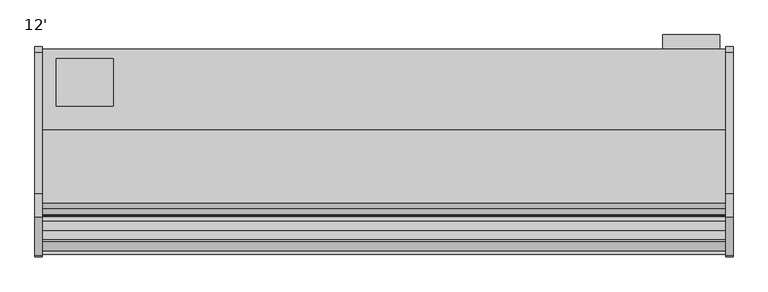
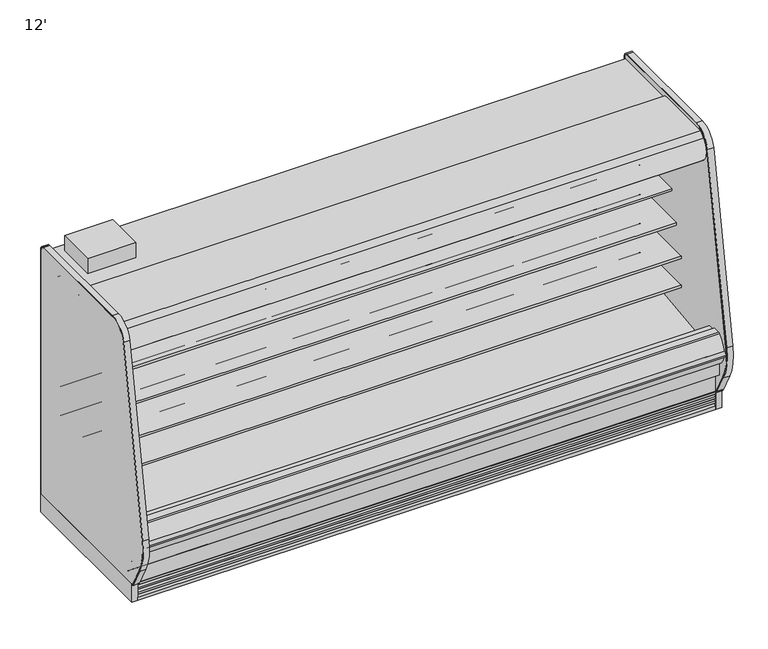
"""IFC4 building model written with IfcOpenShell, lengths in millimetres: proxy geometry, 12'."""

from ifc_helpers import new_model, si_unit, point, frame, frame_2d, origin, origin_with_axes, place, context, project, spatial, polyline, circle_curve, trimmed, segment, composite_curve, outline, extrude, faceted_brep, source, transform, mapped, element, save
from ifc_brep_helpers import plane_surface, revolved_surface, advanced_brep


def proxy_12_763eb99e(model_context):
    return source(origin(), model_context, "Body", "SolidModel", [
        extrude(outline(polyline([(381.0, -452.3089273), (381.0, -706.3089273), (76.2, -706.3089273), (76.2, -452.3089273), (381.0, -452.3089273)])), frame((0.0, 0.0, 1747.9264001), z_axis=(0.0, 0.0, 1.0), x_axis=(1.0, 0.0, 0.0)), (0.0, 0.0, 1.0), 101.6),
        extrude(outline(polyline([(3624.211073, -325.3089273), (3624.211073, -401.5089273), (3319.196077, -401.5089273), (3319.196077, -325.3089273), (3624.211073, -325.3089273)])), frame((0.0, 0.0, 186.4360001), z_axis=(0.0, 0.0, 1.0), x_axis=(1.0, 0.0, 0.0)), (0.0, 0.0, 1.0), 1447.8),
        extrude(outline(polyline([(744.7751963, -1346.7911816), (435.3523963, -1346.7911816), (435.3523963, -1249.5865659), (744.7751963, -1249.5865659), (744.7751963, -1346.7911816)])), frame((0.0, 0.0, 53.2186364), z_axis=(0.0, 0.0, 1.0), x_axis=(1.0, 0.0, 0.0)), (0.0, 0.0, 1.0), 9.8914),
        faceted_brep([(3657.6, -1207.9589273, 130.175), (3657.6, -1275.0830824, 130.175), (3657.6, -1369.8839273, 206.7143253), (3657.6, -1369.8839273, 10.9768116), (3657.6, -1207.9589273, 10.9768116), (0.0, -1207.9589273, 130.175), (0.0, -1207.9589273, 10.9768116), (0.0, -1369.8839273, 10.9768116), (0.0, -1369.8839273, 206.7143253), (0.0, -1275.0830824, 130.175), (744.7751963, -1346.7911816, 10.9768116), (744.7751963, -1249.5865659, 10.9768116), (435.3523963, -1249.5865659, 10.9768116), (435.3523963, -1346.7911816, 10.9768116), (744.7751963, -1346.7911816, 63.1100364), (435.3523963, -1346.7911816, 63.1100364), (435.3523963, -1249.5865659, 63.1100364), (744.7751963, -1249.5865659, 63.1100364)], [[[0, 1, 2, 3, 4]], [[5, 6, 7, 8, 9]], [[1, 0, 5, 9]], [[2, 1, 9, 8]], [[3, 2, 8, 7]], [[4, 3, 7, 6], [10, 11, 12, 13]], [[0, 4, 6, 5]], [[14, 15, 16, 17]], [[14, 17, 11, 10]], [[17, 16, 12, 11]], [[16, 15, 13, 12]], [[15, 14, 10, 13]]]),
        extrude(outline(composite_curve([segment(trimmed(circle_curve(frame_2d((368.3, 3578.0090336)), 12.7), [point((368.3, 3590.7090336))], [point((368.3, 3565.3090336))], False, "CARTESIAN"), True, "CONTINUOUS"), segment(trimmed(circle_curve(frame_2d((368.3, 3578.0090336)), 12.7), [point((368.3, 3565.3090336))], [point((368.3, 3590.7090336))], False, "CARTESIAN"), True, "CONTINUOUS")], self_intersect=False)), frame((0.0, -447.5561252, 0.0), z_axis=(0.0, 1.0, 0.0), x_axis=(0.0, 0.0, 1.0)), (0.0, 0.0, 1.0), 52.3971979),
        extrude(outline(composite_curve([segment(trimmed(circle_curve(frame_2d((368.3, 3539.5972115)), 9.525), [point((368.3, 3549.1222115))], [point((368.3, 3530.0722115))], False, "CARTESIAN"), True, "CONTINUOUS"), segment(trimmed(circle_curve(frame_2d((368.3, 3539.5972115)), 9.525), [point((368.3, 3530.0722115))], [point((368.3, 3549.1222115))], False, "CARTESIAN"), True, "CONTINUOUS")], self_intersect=False)), frame((0.0, -447.5561252, 0.0), z_axis=(0.0, 1.0, 0.0), x_axis=(0.0, 0.0, 1.0)), (0.0, 0.0, 1.0), 52.3971979),
        extrude(outline(composite_curve([segment(polyline([(-451.7851762, 1697.7360001), (-451.7851762, 404.745884), (-504.9331995, 404.745884), (-504.9331995, 1618.3415628)]), True, "CONTINUOUS"), segment(trimmed(circle_curve(frame_2d((-530.3331995, 1618.3415628)), 25.4), [point((-504.9331995, 1618.3415628))], [point((-530.3331995, 1643.7415628))], True, "CARTESIAN"), True, "CONTINUOUS"), segment(polyline([(-530.3331995, 1643.7415628), (-996.5139611, 1643.7415628), (-996.5139611, 1637.1817932), (-1098.1139599, 1637.1817932), (-1098.1139599, 1697.7360001), (-451.7851762, 1697.7360001)]), True, "CONTINUOUS")], self_intersect=False)), frame((0.0, 0.0, 0.0), z_axis=(1.0, 0.0, 0.0), x_axis=(0.0, 1.0, 0.0)), (0.0, 0.0, 1.0), 3657.6),
        advanced_brep(
        [(3657.6, -1428.7889874, 391.24255), (3657.6, -1428.7889874, 254.2724833), (3657.6, -1275.0830824, 130.175), (3657.6, -401.5089273, 130.175), (3657.6, -401.5089273, 1747.9264001), (3657.6, -1139.2416873, 1747.9264001), (3657.6, -1139.2416873, 1697.7360001), (3657.6, -451.7851762, 1697.7360001), (3657.6, -451.7851762, 363.9695251), (3657.6, -599.5014929, 211.662363), (3657.6, -1043.5931205, 195.6779213), (3657.6, -1096.7050237, 157.095884), (3657.6, -1163.5210307, 157.095884), (3657.6, -1221.5656168, 189.2720563), (3657.6, -1379.2843872, 341.5792153), (3657.6, -1379.2843872, 391.24255), (0.0, -1428.7889874, 391.24255), (0.0, -1379.2843872, 391.24255), (0.0, -1379.2843872, 341.5792153), (0.0, -1221.5656168, 189.2720563), (0.0, -1163.5210307, 157.095884), (0.0, -1096.7050237, 157.095884), (0.0, -1043.5931205, 195.6779213), (0.0, -599.5014929, 211.662363), (0.0, -451.7851762, 363.9695251), (0.0, -451.7851762, 1697.7360001), (0.0, -1139.2416873, 1697.7360001), (0.0, -1139.2416873, 1747.9264001), (0.0, -401.5089273, 1747.9264001), (0.0, -401.5089273, 130.175), (0.0, -1275.0830824, 130.175), (0.0, -1428.7889874, 254.2724833), (3556.0, -401.5089273, 317.5), (3556.0, -401.5089273, 419.1), (3556.0, -447.5561252, 317.5), (3556.0, -447.5561252, 419.1)],
        [
            (0, 1),
            (1, 2),
            (2, 3),
            (3, 4),
            (4, 5),
            (5, 6),
            (6, 7),
            (7, 8),
            (8, 9, circle_curve(frame((3657.6, -605.0132276, 364.7934683), z_axis=(-1.0, 0.0, 0.0), x_axis=(0.0, 1.0, 0.0)), 153.2302667)),
            (9, 10),
            (10, 11),
            (11, 12),
            (12, 13),
            (13, 14, circle_curve(frame((3657.6, -1226.8843872, 341.5792153), z_axis=(-1.0, 0.0, 0.0), x_axis=(0.0, 1.0, 0.0)), 152.4)),
            (14, 15),
            (15, 0),
            (16, 17),
            (17, 18),
            (18, 19, circle_curve(frame((0.0, -1226.8843872, 341.5792153), z_axis=(1.0, 0.0, 0.0), x_axis=(0.0, 1.0, 0.0)), 152.4)),
            (19, 20),
            (20, 21),
            (21, 22),
            (22, 23),
            (23, 24, circle_curve(frame((0.0, -605.0132276, 364.7934683), z_axis=(1.0, 0.0, 0.0), x_axis=(0.0, 1.0, 0.0)), 153.2302667)),
            (24, 25),
            (25, 26),
            (26, 27),
            (27, 28),
            (28, 29),
            (29, 30),
            (30, 31),
            (31, 16),
            (0, 16),
            (31, 1),
            (30, 2),
            (29, 3),
            (28, 4),
            (32, 33, circle_curve(frame((3556.0, -401.5089273, 368.3), z_axis=(0.0, -1.0, 0.0), x_axis=(0.0, 0.0, 1.0)), 50.8)),
            (33, 32, circle_curve(frame((3556.0, -401.5089273, 368.3), z_axis=(0.0, -1.0, 0.0), x_axis=(0.0, 0.0, 1.0)), 50.8)),
            (27, 5),
            (26, 6),
            (25, 7),
            (24, 8),
            (23, 9),
            (22, 10),
            (21, 11),
            (20, 12),
            (19, 13),
            (18, 14),
            (17, 15),
            (34, 35, circle_curve(frame((3556.0, -447.5561252, 368.3), z_axis=(0.0, 1.0, 0.0), x_axis=(0.0, 0.0, 1.0)), 50.8)),
            (35, 34, circle_curve(frame((3556.0, -447.5561252, 368.3), z_axis=(0.0, 1.0, 0.0), x_axis=(0.0, 0.0, 1.0)), 50.8)),
            (35, 33),
            (32, 34),
        ],
        [
            plane_surface(frame((3657.6, -1428.7889874, 254.2724833), z_axis=(1.0, 0.0, 0.0), x_axis=(0.0, 0.0, -1.0))),
            plane_surface(frame((0.0, -1428.7889874, 254.2724833), z_axis=(-1.0, 0.0, 0.0), x_axis=(0.0, 0.0, 1.0))),
            plane_surface(frame((3657.6, -1428.7889874, 391.24255), z_axis=(0.0, -1.0, 0.0), x_axis=(-1.0, 0.0, 0.0))),
            plane_surface(frame((3657.6, -1428.7889874, 254.2724833), z_axis=(0.0, -0.6281851642637378, -0.7780638787393622), x_axis=(-1.0, 0.0, 0.0))),
            plane_surface(frame((3657.6, -1275.0830824, 130.175), z_axis=(0.0, 0.0, -1.0), x_axis=(-1.0, 0.0, 0.0))),
            plane_surface(frame((3657.6, -401.5089273, 130.175), z_axis=(0.0, 1.0, 0.0), x_axis=(-1.0, 0.0, 0.0))),
            plane_surface(frame((3657.6, -401.5089273, 1747.9264001), z_axis=(0.0, 0.0, 1.0), x_axis=(-1.0, 0.0, 0.0))),
            plane_surface(frame((3657.6, -1139.2416873, 1747.9264001), z_axis=(0.0, -1.0, 0.0), x_axis=(-1.0, 0.0, 0.0))),
            plane_surface(frame((3657.6, -1139.2416873, 1697.7360001), z_axis=(0.0, 0.0, -1.0), x_axis=(-1.0, 0.0, 0.0))),
            plane_surface(frame((3657.6, -451.7851762, 1697.7360001), z_axis=(0.0, -1.0, 0.0), x_axis=(-1.0, 0.0, 0.0))),
            revolved_surface(polyline([(0.0, -451.78296090000003, 364.7934683), (3657.6, -451.78296090000003, 364.7934683)]), (0.0, -605.0132276, 364.7934683), (-1.0, 0.0, 0.0)),
            plane_surface(frame((3657.6, -599.5014929, 211.662363), z_axis=(0.0, -0.035970274152171335, 0.9993528602938092), x_axis=(-1.0, 0.0, 0.0))),
            plane_surface(frame((3657.6, -1043.5931205, 195.6779213), z_axis=(0.0, -0.5877252382160976, 0.8090605937529224), x_axis=(-1.0, 0.0, 0.0))),
            plane_surface(frame((3657.6, -1096.7050237, 157.095884), z_axis=(0.0, 0.0, 1.0), x_axis=(-1.0, 0.0, 0.0))),
            plane_surface(frame((3657.6, -1163.5210307, 157.095884), z_axis=(0.0, 0.48482728759131516, 0.8746099137368889), x_axis=(-1.0, 0.0, 0.0))),
            revolved_surface(polyline([(0.0, -1074.4843872, 341.5792153), (3657.6, -1074.4843872, 341.5792153)]), (0.0, -1226.8843872, 341.5792153), (-1.0, 0.0, 0.0)),
            plane_surface(frame((3657.6, -1379.2843872, 341.5792153), z_axis=(0.0, 1.0, 0.0), x_axis=(-1.0, 0.0, 0.0))),
            plane_surface(frame((3657.6, -1379.2843872, 391.24255), z_axis=(0.0, 0.0, 1.0), x_axis=(-1.0, 0.0, 0.0))),
            plane_surface(frame((3556.0, -447.5561252, 419.1), z_axis=(0.0, 1.0, 0.0), x_axis=(-1.0, 0.0, 0.0))),
            revolved_surface(polyline([(3556.0, -447.5561252, 419.1), (3556.0, -401.5089273, 419.1)]), (3556.0, -401.5089273, 368.3), (0.0, -1.0, 0.0)),
        ],
        [
            (0, [[1, 2, 3, 4, 5, 6, 7, 8, 9, 10, 11, 12, 13, 14, 15, 16]]),
            (1, [[17, 18, 19, 20, 21, 22, 23, 24, 25, 26, 27, 28, 29, 30, 31, 32]]),
            (2, [[-1, 33, -32, 34]]),
            (3, [[-2, -34, -31, 35]]),
            (4, [[-3, -35, -30, 36]]),
            (5, [[-4, -36, -29, 37], [38, 39]]),
            (6, [[-5, -37, -28, 40]]),
            (7, [[-6, -40, -27, 41]]),
            (8, [[-7, -41, -26, 42]]),
            (9, [[-8, -42, -25, 43]]),
            (10, [[-9, -43, -24, 44]]),
            (11, [[-10, -44, -23, 45]]),
            (12, [[-11, -45, -22, 46]]),
            (13, [[-12, -46, -21, 47]]),
            (14, [[-13, -47, -20, 48]]),
            (15, [[-14, -48, -19, 49]]),
            (16, [[-15, -49, -18, 50]]),
            (17, [[-16, -50, -17, -33]]),
            (18, [[51, 52]]),
            (19, [[-52, 53, -38, 54]]),
            (19, [[-51, -54, -39, -53]]),
        ],
    ),
        extrude(outline(composite_curve([segment(polyline([(-1324.3309113, 373.0751999), (-1297.0132113, 373.0751999), (-1291.5716401, 375.0168392), (-610.6406734, 456.5929299), (-610.1926758, 450.1862651), (-516.7472923, 456.7206028)]), True, "CONTINUOUS"), segment(trimmed(circle_curve(frame_2d((-517.6331995, 469.3896663)), 12.7), [point((-516.7472923, 456.7206028))], [point((-504.9331995, 469.3896663))], True, "CARTESIAN"), True, "CONTINUOUS"), segment(polyline([(-504.9331995, 469.3896663), (-504.9331995, 404.745884), (-451.7851762, 404.745884), (-451.7851762, 363.9695251)]), True, "CONTINUOUS"), segment(trimmed(circle_curve(frame_2d((-605.0132276, 364.7934683)), 153.2302667), [point((-451.7851762, 363.9695251))], [point((-599.5014929, 211.662363))], False, "CARTESIAN"), True, "CONTINUOUS"), segment(polyline([(-599.5014929, 211.662363), (-1043.5931205, 195.6779213), (-1096.7050237, 157.095884), (-1163.5210307, 157.095884), (-1221.5656168, 189.2720563)]), True, "CONTINUOUS"), segment(trimmed(circle_curve(frame_2d((-1226.8843872, 341.5792153)), 152.4), [point((-1221.5656168, 189.2720563))], [point((-1379.2843872, 341.5792153))], False, "CARTESIAN"), True, "CONTINUOUS"), segment(polyline([(-1379.2843872, 341.5792153), (-1379.2843872, 521.2079999), (-1324.3309113, 521.2079999), (-1324.3309113, 373.0751999)]), True, "CONTINUOUS")], self_intersect=False)), frame((0.0, 0.0, 0.0), z_axis=(1.0, 0.0, 0.0), x_axis=(0.0, 1.0, 0.0)), (0.0, 0.0, 1.0), 3657.6),
        extrude(outline(composite_curve([segment(trimmed(circle_curve(frame_2d((1828.8, -1128.5839273)), 38.1), [point((1790.7, -1128.5839273))], [point((1866.9, -1128.5839273))], False, "CARTESIAN"), True, "CONTINUOUS"), segment(trimmed(circle_curve(frame_2d((1828.8, -1128.5839273)), 38.1), [point((1866.9, -1128.5839273))], [point((1790.7, -1128.5839273))], False, "CARTESIAN"), True, "CONTINUOUS")], self_intersect=False)), frame((0.0, 0.0, 66.7090149), z_axis=(0.0, 0.0, 1.0), x_axis=(1.0, 0.0, 0.0)), (0.0, 0.0, 1.0), 57.1159851),
        extrude(outline(composite_curve([segment(trimmed(circle_curve(frame_2d((3462.0146724, -1128.5839273)), 12.7), [point((3449.3146724, -1128.5839273))], [point((3474.7146724, -1128.5839273))], False, "CARTESIAN"), True, "CONTINUOUS"), segment(trimmed(circle_curve(frame_2d((3462.0146724, -1128.5839273)), 12.7), [point((3474.7146724, -1128.5839273))], [point((3449.3146724, -1128.5839273))], False, "CARTESIAN"), True, "CONTINUOUS")], self_intersect=False)), frame((0.0, 0.0, 66.7090149), z_axis=(0.0, 0.0, 1.0), x_axis=(1.0, 0.0, 0.0)), (0.0, 0.0, 1.0), 57.1159851),
        extrude(outline(composite_curve([segment(trimmed(circle_curve(frame_2d((3416.2012671, -1128.5839273)), 9.525), [point((3406.6762671, -1128.5839273))], [point((3425.7262671, -1128.5839273))], False, "CARTESIAN"), True, "CONTINUOUS"), segment(trimmed(circle_curve(frame_2d((3416.2012671, -1128.5839273)), 9.525), [point((3425.7262671, -1128.5839273))], [point((3406.6762671, -1128.5839273))], False, "CARTESIAN"), True, "CONTINUOUS")], self_intersect=False)), frame((0.0, 0.0, 66.7090149), z_axis=(0.0, 0.0, 1.0), x_axis=(1.0, 0.0, 0.0)), (0.0, 0.0, 1.0), 57.1159851),
        advanced_brep(
        [(3657.6, -401.5089273, 0.0), (3657.6, -401.5089273, 130.175), (3657.6, -1207.9589273, 130.175), (3657.6, -1207.9589273, 0.0), (3657.6, -1161.1594273, 0.0), (3657.6, -1161.1594273, 74.8810382), (3657.6, -446.7209273, 74.8810382), (3657.6, -446.7209273, 0.0), (0.0, -401.5089273, 0.0), (0.0, -446.7209273, 0.0), (0.0, -446.7209273, 74.8810382), (0.0, -1161.1594273, 74.8810382), (0.0, -1161.1594273, 0.0), (0.0, -1207.9589273, 0.0), (0.0, -1207.9589273, 130.175), (0.0, -401.5089273, 130.175), (1789.8195331, -1161.1594273, 0.0), (1867.7804669, -1161.1594273, 0.0), (3402.7195331, -1161.1594273, 0.0), (3480.6804669, -1161.1594273, 0.0), (3480.6804669, -1161.1594273, 74.8810382), (1789.8195331, -1161.1594273, 74.8810382), (1867.7804669, -1161.1594273, 74.8810382), (3402.7195331, -1161.1594273, 74.8810382), (3492.5, -1128.5839273, 74.8810382), (3390.9, -1128.5839273, 74.8810382), (1879.6, -1128.5839273, 74.8810382), (1778.0, -1128.5839273, 74.8810382), (1778.0, -1128.5839273, 123.825), (1879.6, -1128.5839273, 123.825), (3390.9, -1128.5839273, 123.825), (3492.5, -1128.5839273, 123.825)],
        [
            (0, 1),
            (1, 2),
            (2, 3),
            (3, 4),
            (4, 5),
            (5, 6),
            (6, 7),
            (7, 0),
            (8, 9),
            (9, 10),
            (10, 11),
            (11, 12),
            (12, 13),
            (13, 14),
            (14, 15),
            (15, 8),
            (0, 8),
            (15, 1),
            (14, 2),
            (13, 3),
            (12, 16),
            (16, 17, circle_curve(frame((1828.8, -1128.5839273, 0.0), z_axis=(0.0, 0.0, 1.0), x_axis=(1.0, 0.0, 0.0)), 50.8)),
            (17, 18),
            (18, 19, circle_curve(frame((3441.7, -1128.5839273, 0.0), z_axis=(0.0, 0.0, 1.0), x_axis=(1.0, 0.0, 0.0)), 50.8)),
            (19, 4),
            (19, 20),
            (20, 5),
            (11, 21),
            (21, 16),
            (17, 22),
            (22, 23),
            (23, 18),
            (20, 24, circle_curve(frame((3441.7, -1128.5839273, 74.8810382), z_axis=(0.0, 0.0, 1.0), x_axis=(1.0, 0.0, 0.0)), 50.8)),
            (24, 25, circle_curve(frame((3441.7, -1128.5839273, 74.8810382), z_axis=(0.0, 0.0, 1.0), x_axis=(1.0, 0.0, 0.0)), 50.8)),
            (25, 23, circle_curve(frame((3441.7, -1128.5839273, 74.8810382), z_axis=(0.0, 0.0, 1.0), x_axis=(1.0, 0.0, 0.0)), 50.8)),
            (22, 26, circle_curve(frame((1828.8, -1128.5839273, 74.8810382), z_axis=(0.0, 0.0, 1.0), x_axis=(1.0, 0.0, 0.0)), 50.8)),
            (26, 27, circle_curve(frame((1828.8, -1128.5839273, 74.8810382), z_axis=(0.0, 0.0, 1.0), x_axis=(1.0, 0.0, 0.0)), 50.8)),
            (27, 21, circle_curve(frame((1828.8, -1128.5839273, 74.8810382), z_axis=(0.0, 0.0, 1.0), x_axis=(1.0, 0.0, 0.0)), 50.8)),
            (10, 6),
            (9, 7),
            (28, 29, circle_curve(frame((1828.8, -1128.5839273, 123.825), z_axis=(0.0, 0.0, -1.0), x_axis=(1.0, 0.0, 0.0)), 50.8)),
            (29, 28, circle_curve(frame((1828.8, -1128.5839273, 123.825), z_axis=(0.0, 0.0, -1.0), x_axis=(1.0, 0.0, 0.0)), 50.8)),
            (29, 26),
            (27, 28),
            (30, 31, circle_curve(frame((3441.7, -1128.5839273, 123.825), z_axis=(0.0, 0.0, -1.0), x_axis=(1.0, 0.0, 0.0)), 50.8)),
            (31, 30, circle_curve(frame((3441.7, -1128.5839273, 123.825), z_axis=(0.0, 0.0, -1.0), x_axis=(1.0, 0.0, 0.0)), 50.8)),
            (31, 24),
            (25, 30),
        ],
        [
            plane_surface(frame((3657.6, -401.5089273, 1893.5715584), z_axis=(1.0, 0.0, 0.0), x_axis=(0.0, 0.0, 1.0))),
            plane_surface(frame((0.0, -401.5089273, 1893.5715584), z_axis=(-1.0, 0.0, 0.0), x_axis=(0.0, 0.0, -1.0))),
            plane_surface(frame((3657.6, -401.5089273, 0.0), z_axis=(0.0, 1.0, 0.0), x_axis=(-1.0, 0.0, 0.0))),
            plane_surface(frame((3657.6, -401.5089273, 130.175), z_axis=(0.0, 0.0, 1.0), x_axis=(-1.0, 0.0, 0.0))),
            plane_surface(frame((3657.6, -1207.9589273, 130.175), z_axis=(0.0, -1.0, 0.0), x_axis=(-1.0, 0.0, 0.0))),
            plane_surface(frame((3657.6, -1207.9589273, 0.0), z_axis=(0.0, 0.0, -1.0), x_axis=(-1.0, 0.0, 0.0))),
            plane_surface(frame((3657.6, -1161.1594273, 0.0), z_axis=(0.0, 1.0, 0.0), x_axis=(-1.0, 0.0, 0.0))),
            plane_surface(frame((3657.6, -1161.1594273, 74.8810382), z_axis=(0.0, 0.0, -1.0), x_axis=(-1.0, 0.0, 0.0))),
            plane_surface(frame((3657.6, -446.7209273, 74.8810382), z_axis=(0.0, -1.0, 0.0), x_axis=(-1.0, 0.0, 0.0))),
            plane_surface(frame((3657.6, -446.7209273, 0.0), z_axis=(0.0, 0.0, -1.0), x_axis=(-1.0, 0.0, 0.0))),
            plane_surface(frame((1879.6, -1128.5839273, 123.825), z_axis=(0.0, 0.0, -1.0), x_axis=(0.0, 1.0, 0.0))),
            revolved_surface(polyline([(1879.6, -1128.5839273, 123.825), (1879.6, -1128.5839273, 0.0)]), (1828.8, -1128.5839273, 0.0), (0.0, 0.0, 1.0)),
            revolved_surface(polyline([(1879.6, -1128.5839273, 123.825), (1879.6, -1128.5839273, 74.8810382)]), (1828.8, -1128.5839273, 0.0), (0.0, 0.0, 1.0)),
            plane_surface(frame((3492.5, -1128.5839273, 123.825), z_axis=(0.0, 0.0, -1.0), x_axis=(0.0, 1.0, 0.0))),
            revolved_surface(polyline([(3492.5, -1128.5839273, 123.825), (3492.5, -1128.5839273, 0.0)]), (3441.7, -1128.5839273, 0.0), (0.0, 0.0, 1.0)),
            revolved_surface(polyline([(3492.5, -1128.5839273, 123.825), (3492.5, -1128.5839273, 74.8810382)]), (3441.7, -1128.5839273, 0.0), (0.0, 0.0, 1.0)),
        ],
        [
            (0, [[1, 2, 3, 4, 5, 6, 7, 8]]),
            (1, [[9, 10, 11, 12, 13, 14, 15, 16]]),
            (2, [[-1, 17, -16, 18]]),
            (3, [[-2, -18, -15, 19]]),
            (4, [[-3, -19, -14, 20]]),
            (5, [[-4, -20, -13, 21, 22, 23, 24, 25]]),
            (6, [[-5, -25, 26, 27]]),
            (6, [[-12, 28, 29, -21]]),
            (6, [[30, 31, 32, -23]]),
            (7, [[-6, -27, 33, 34, 35, -31, 36, 37, 38, -28, -11, 39]]),
            (8, [[-7, -39, -10, 40]]),
            (9, [[-8, -40, -9, -17]]),
            (10, [[41, 42]]),
            (11, [[-42, 43, -36, -30, -22, -29, -38, 44]]),
            (12, [[-41, -44, -37, -43]]),
            (13, [[45, 46]]),
            (14, [[-46, 47, -33, -26, -24, -32, -35, 48]]),
            (15, [[-45, -48, -34, -47]]),
        ],
    ),
        extrude(outline(polyline([(3695.7, -388.8089273), (3695.7, -1388.9339273), (3657.6, -1388.9339273), (3657.6, -388.8089273), (3695.7, -388.8089273)])), origin_with_axes(), (0.0, 0.0, 1.0), 123.825),
        extrude(outline(polyline([(3657.6, -996.5139611), (3657.6, -1098.1139599), (0.0, -1098.1139599), (0.0, -996.5139611), (3657.6, -996.5139611)])), frame((0.0, 0.0, 1611.781792), z_axis=(0.0, 0.0, 1.0), x_axis=(1.0, 0.0, 0.0)), (0.0, 0.0, 1.0), 25.4000011),
        extrude(outline(composite_curve([segment(polyline([(-834.1197918, 1747.9264001), (-1139.2416873, 1747.9264001), (-1139.2416873, 1697.7360001), (-1098.1139599, 1697.7360001), (-1098.1139599, 1611.781792), (-1102.0441706, 1611.781792), (-1145.2982964, 1638.6902586), (-1229.1846298, 1638.6902586), (-1234.6028577, 1609.3156271), (-1242.6978272, 1602.7581239), (-1244.4566599, 1596.9057625), (-1247.8744356, 1591.5734097)]), True, "CONTINUOUS"), segment(trimmed(circle_curve(frame_2d((-1254.9813118, 1596.1285676)), 8.4413951), [point((-1247.8744356, 1591.5734097))], [point((-1261.3923737, 1590.637171))], False, "CARTESIAN"), True, "CONTINUOUS"), segment(trimmed(circle_curve(frame_2d((-1181.3177231, 1659.2251311)), 105.4336661), [point((-1261.3923737, 1590.637171))], [point((-1254.3783459, 1735.2409409))], False, "CARTESIAN"), True, "CONTINUOUS"), segment(trimmed(circle_curve(frame_2d((-1721.3249588, 2221.0748085)), 673.8498988), [point((-1254.3783459, 1735.2409409))], [point((-1224.995421, 1765.3))], True, "CARTESIAN"), True, "CONTINUOUS"), segment(polyline([(-1224.995421, 1765.3), (-834.1197918, 1765.3), (-834.1197918, 1747.9264001)]), True, "CONTINUOUS")], self_intersect=False)), frame((0.0, 0.0, 0.0), z_axis=(1.0, 0.0, 0.0), x_axis=(0.0, 1.0, 0.0)), (0.0, 0.0, 1.0), 3657.6),
        extrude(outline(composite_curve([segment(trimmed(circle_curve(frame_2d((-775.1768909, 1614.4334873)), 14.2875), [point((-789.4643909, 1614.4334873))], [point((-760.8893909, 1614.4334873))], False, "CARTESIAN"), True, "CONTINUOUS"), segment(trimmed(circle_curve(frame_2d((-775.1768909, 1614.4334873)), 14.2875), [point((-760.8893909, 1614.4334873))], [point((-789.4643909, 1614.4334873))], False, "CARTESIAN"), True, "CONTINUOUS")], self_intersect=False)), frame((0.0, 0.0, 0.0), z_axis=(1.0, 0.0, 0.0), x_axis=(0.0, 1.0, 0.0)), (0.0, 0.0, 1.0), 3657.6),
        extrude(outline(composite_curve([segment(trimmed(circle_curve(frame_2d((-1161.5261636, 1620.5311052)), 14.2875), [point((-1175.8136636, 1620.5311052))], [point((-1147.2386636, 1620.5311052))], False, "CARTESIAN"), True, "CONTINUOUS"), segment(trimmed(circle_curve(frame_2d((-1161.5261636, 1620.5311052)), 14.2875), [point((-1147.2386636, 1620.5311052))], [point((-1175.8136636, 1620.5311052))], False, "CARTESIAN"), True, "CONTINUOUS")], self_intersect=False)), frame((0.0, 0.0, 0.0), z_axis=(1.0, 0.0, 0.0), x_axis=(0.0, 1.0, 0.0)), (0.0, 0.0, 1.0), 3657.6),
        extrude(outline(composite_curve([segment(trimmed(circle_curve(frame_2d((-1206.6074088, 1621.0573227)), 14.2875), [point((-1220.8949088, 1621.0573227))], [point((-1192.3199088, 1621.0573227))], False, "CARTESIAN"), True, "CONTINUOUS"), segment(trimmed(circle_curve(frame_2d((-1206.6074088, 1621.0573227)), 14.2875), [point((-1192.3199088, 1621.0573227))], [point((-1220.8949088, 1621.0573227))], False, "CARTESIAN"), True, "CONTINUOUS")], self_intersect=False)), frame((0.0, 0.0, 0.0), z_axis=(1.0, 0.0, 0.0), x_axis=(0.0, 1.0, 0.0)), (0.0, 0.0, 1.0), 3657.6),
        extrude(outline(polyline([(-755.2139611, 1643.7415628), (-755.2139611, 1642.1540628), (-767.1202111, 1642.1540628), (-802.8389611, 1618.3415628), (-802.8389611, 1642.1540628), (-823.4764611, 1642.1540628), (-823.4764611, 1583.5761808), (-820.1998305, 1567.4468459), (-821.7555536, 1567.130805), (-825.0639611, 1583.4165628), (-825.0639611, 1643.7415628), (-755.2139611, 1643.7415628)])), frame((0.0, 0.0, 0.0), z_axis=(1.0, 0.0, 0.0), x_axis=(0.0, 1.0, 0.0)), (0.0, 0.0, 1.0), 3657.6),
        extrude(outline(polyline([(-524.5538195, 1364.7404382), (-699.0292362, 1609.345951), (-692.6360518, 1611.3180598), (-519.384186, 1368.427902), (-524.5538195, 1364.7404382)])), frame((0.0, 0.0, 0.0), z_axis=(1.0, 0.0, 0.0), x_axis=(0.0, 1.0, 0.0)), (0.0, 0.0, 1.0), 3657.6),
        extrude(outline(composite_curve([segment(polyline([(-504.9331995, 1389.1244166), (-504.9331995, 1351.0251669)]), True, "CONTINUOUS"), segment(trimmed(circle_curve(frame_2d((-507.7906995, 1351.0251669)), 2.8575), [point((-504.9331995, 1351.0251669))], [point((-506.6741853, 1348.3948242))], False, "CARTESIAN"), True, "CONTINUOUS"), segment(polyline([(-506.6741853, 1348.3948242), (-515.7704668, 1344.5336819)]), True, "CONTINUOUS"), segment(trimmed(circle_curve(frame_2d((-516.8869809, 1347.1640245)), 2.8575), [point((-515.7704668, 1344.5336819))], [point((-519.4330321, 1345.8667466))], False, "CARTESIAN"), True, "CONTINUOUS"), segment(polyline([(-519.4330321, 1345.8667466), (-527.3608411, 1361.425948)]), True, "CONTINUOUS"), segment(trimmed(circle_curve(frame_2d((-526.2292629, 1362.0025159)), 1.27), [point((-527.3608411, 1361.425948))], [point((-526.8058308, 1363.1340942))], False, "CARTESIAN"), True, "CONTINUOUS"), segment(polyline([(-526.8058308, 1363.1340942), (-519.384186, 1368.427902), (-507.5996446, 1351.9065843), (-506.2031995, 1351.0251669), (-506.2031995, 1389.1244166), (-504.9331995, 1389.1244166)]), True, "CONTINUOUS")], self_intersect=False)), frame((0.0, 0.0, 0.0), z_axis=(1.0, 0.0, 0.0), x_axis=(0.0, 1.0, 0.0)), (0.0, 0.0, 1.0), 3657.6),
        extrude(outline(composite_curve([segment(polyline([(-697.0188534, 1617.462521), (-692.6360518, 1611.3180598), (-701.6311946, 1608.5433237)]), True, "CONTINUOUS"), segment(trimmed(circle_curve(frame_2d((-702.2914708, 1610.6838079)), 2.2400083), [point((-701.6311946, 1608.5433237))], [point((-703.4764456, 1608.7828943))], False, "CARTESIAN"), True, "CONTINUOUS"), segment(polyline([(-703.4764456, 1608.7828943), (-727.5060675, 1642.4711818), (-743.3810675, 1642.4711818), (-743.3810675, 1643.7411818), (-727.5060675, 1643.7411818)]), True, "CONTINUOUS"), segment(trimmed(circle_curve(frame_2d((-727.5060675, 1642.4711818)), 1.27), [point((-727.5060675, 1643.7411818))], [point((-726.4721408, 1643.2086746))], False, "CARTESIAN"), True, "CONTINUOUS"), segment(polyline([(-726.4721408, 1643.2086746), (-714.3244423, 1626.1782294), (-704.636549, 1633.0885365)]), True, "CONTINUOUS"), segment(trimmed(circle_curve(frame_2d((-703.8990563, 1632.0546097)), 1.27), [point((-704.636549, 1633.0885365))], [point((-702.8651296, 1632.7921025))], False, "CARTESIAN"), True, "CONTINUOUS"), segment(polyline([(-702.8651296, 1632.7921025), (-693.6464701, 1619.8680186), (-697.0188534, 1617.462521)]), True, "CONTINUOUS")], self_intersect=False)), frame((0.0, 0.0, 0.0), z_axis=(1.0, 0.0, 0.0), x_axis=(0.0, 1.0, 0.0)), (0.0, 0.0, 1.0), 3657.6),
        extrude(outline(composite_curve([segment(polyline([(-504.9331995, 603.1377781), (-504.9331995, 528.0367518), (-528.313746, 528.0367518)]), True, "CONTINUOUS"), segment(trimmed(circle_curve(frame_2d((-528.7455821, 553.4330806)), 25.4), [point((-528.313746, 528.0367518))], [point((-544.7229383, 533.6875979))], False, "CARTESIAN"), True, "CONTINUOUS"), segment(polyline([(-544.7229383, 533.6875979), (-562.5749995, 548.1328634)]), True, "CONTINUOUS"), segment(trimmed(circle_curve(frame_2d((-602.5183901, 498.7691567)), 63.5), [point((-562.5749995, 548.1328634))], [point((-594.6205089, 561.7760886))], True, "CARTESIAN"), True, "CONTINUOUS"), segment(polyline([(-594.6205089, 561.7760886), (-869.1842482, 585.473226), (-870.6730247, 588.9137781), (-1012.9331995, 588.9137781), (-1012.9331995, 603.1377781), (-504.9331995, 603.1377781)]), True, "CONTINUOUS")], self_intersect=False)), frame((0.0, 0.0, 0.0), z_axis=(1.0, 0.0, 0.0), x_axis=(0.0, 1.0, 0.0)), (0.0, 0.0, 1.0), 3657.6),
        extrude(outline(composite_curve([segment(polyline([(-504.9331995, 796.951863), (-504.9331995, 721.8508366), (-528.313746, 721.8508366)]), True, "CONTINUOUS"), segment(trimmed(circle_curve(frame_2d((-528.7455821, 747.2471655)), 25.4), [point((-528.313746, 721.8508366))], [point((-544.7229383, 727.5016828))], False, "CARTESIAN"), True, "CONTINUOUS"), segment(polyline([(-544.7229383, 727.5016828), (-562.5749995, 741.9469483)]), True, "CONTINUOUS"), segment(trimmed(circle_curve(frame_2d((-602.5183901, 692.5832415)), 63.5), [point((-562.5749995, 741.9469483))], [point((-594.6205089, 755.5901735))], True, "CARTESIAN"), True, "CONTINUOUS"), segment(polyline([(-594.6205089, 755.5901735), (-869.1842482, 779.2873109), (-870.6730247, 782.727863), (-1012.9331995, 782.727863), (-1012.9331995, 796.951863), (-504.9331995, 796.951863)]), True, "CONTINUOUS")], self_intersect=False)), frame((0.0, 0.0, 0.0), z_axis=(1.0, 0.0, 0.0), x_axis=(0.0, 1.0, 0.0)), (0.0, 0.0, 1.0), 3657.6),
        extrude(outline(composite_curve([segment(polyline([(-504.9331995, 990.7659479), (-504.9331995, 915.6649215), (-528.313746, 915.6649215)]), True, "CONTINUOUS"), segment(trimmed(circle_curve(frame_2d((-528.7455821, 941.0612503)), 25.4), [point((-528.313746, 915.6649215))], [point((-544.7229383, 921.3157676))], False, "CARTESIAN"), True, "CONTINUOUS"), segment(polyline([(-544.7229383, 921.3157676), (-562.5749995, 935.7610332)]), True, "CONTINUOUS"), segment(trimmed(circle_curve(frame_2d((-602.5183901, 886.3973264)), 63.5), [point((-562.5749995, 935.7610332))], [point((-594.6205089, 949.4042583))], True, "CARTESIAN"), True, "CONTINUOUS"), segment(polyline([(-594.6205089, 949.4042583), (-869.1842482, 973.1013958), (-870.6730247, 976.5419479), (-962.1331995, 976.5419479), (-962.1331995, 990.7659479), (-504.9331995, 990.7659479)]), True, "CONTINUOUS")], self_intersect=False)), frame((0.0, 0.0, 0.0), z_axis=(1.0, 0.0, 0.0), x_axis=(0.0, 1.0, 0.0)), (0.0, 0.0, 1.0), 3657.6),
        extrude(outline(composite_curve([segment(polyline([(-504.9331995, 1188.9777893), (-504.9331995, 1113.876763), (-528.313746, 1113.876763)]), True, "CONTINUOUS"), segment(trimmed(circle_curve(frame_2d((-528.7455821, 1139.2730918)), 25.4), [point((-528.313746, 1113.876763))], [point((-544.7229383, 1119.5276091))], False, "CARTESIAN"), True, "CONTINUOUS"), segment(polyline([(-544.7229383, 1119.5276091), (-562.5749995, 1133.9728746)]), True, "CONTINUOUS"), segment(trimmed(circle_curve(frame_2d((-602.5183901, 1084.6091679)), 63.5), [point((-562.5749995, 1133.9728746))], [point((-594.6205089, 1147.6160998))], True, "CARTESIAN"), True, "CONTINUOUS"), segment(polyline([(-594.6205089, 1147.6160998), (-869.1842482, 1171.3132372), (-870.6730247, 1174.7537893), (-911.3331995, 1174.7537893), (-911.3331995, 1188.9777893), (-504.9331995, 1188.9777893)]), True, "CONTINUOUS")], self_intersect=False)), frame((0.0, 0.0, 0.0), z_axis=(1.0, 0.0, 0.0), x_axis=(0.0, 1.0, 0.0)), (0.0, 0.0, 1.0), 3657.6),
        extrude(outline(composite_curve([segment(trimmed(circle_curve(frame_2d((-1483.1743585, 428.625)), 17.2640772), [point((-1500.4384357, 428.625))], [point((-1465.9102813, 428.625))], False, "CARTESIAN"), True, "CONTINUOUS"), segment(trimmed(circle_curve(frame_2d((-1483.1743585, 428.625)), 17.2640772), [point((-1465.9102813, 428.625))], [point((-1500.4384357, 428.625))], False, "CARTESIAN"), True, "CONTINUOUS")], self_intersect=False)), frame((0.0, 0.0, 0.0), z_axis=(1.0, 0.0, 0.0), x_axis=(0.0, 1.0, 0.0)), (0.0, 0.0, 1.0), 3657.6),
        extrude(outline(composite_curve([segment(polyline([(-1375.5997913, 521.2079999), (-1379.2843872, 521.2079999), (-1379.2843872, 391.24255), (-1428.7889874, 391.24255), (-1428.7889874, 350.0194213), (-1453.2591168, 350.0194213)]), True, "CONTINUOUS"), segment(trimmed(circle_curve(frame_2d((-1358.032609, 434.0486555)), 126.9999999), [point((-1453.2591168, 350.0194213))], [point((-1482.9898477, 411.3619088))], False, "CARTESIAN"), True, "CONTINUOUS"), segment(trimmed(circle_curve(frame_2d((-1483.1743585, 428.625)), 17.2640772), [point((-1482.9898477, 411.3619088))], [point((-1465.9102813, 428.625))], True, "CARTESIAN"), True, "CONTINUOUS"), segment(trimmed(circle_curve(frame_2d((-1483.1743585, 428.625)), 17.2640772), [point((-1465.9102813, 428.625))], [point((-1483.4541442, 445.8868099))], True, "CARTESIAN"), True, "CONTINUOUS"), segment(trimmed(circle_curve(frame_2d((-1311.1712796, 402.089233)), 177.7628003), [point((-1483.4541442, 445.8868099))], [point((-1431.9539384, 532.5160803))], False, "CARTESIAN"), True, "CONTINUOUS"), segment(trimmed(circle_curve(frame_2d((-1421.0971419, 520.7923962)), 15.9785731), [point((-1431.9539384, 532.5160803))], [point((-1421.1927913, 536.770683))], False, "CARTESIAN"), True, "CONTINUOUS"), segment(polyline([(-1421.1927913, 536.770683), (-1375.5997913, 536.770683), (-1375.5997913, 521.2079999)]), True, "CONTINUOUS")], self_intersect=False)), frame((0.0, 0.0, 0.0), z_axis=(1.0, 0.0, 0.0), x_axis=(0.0, 1.0, 0.0)), (0.0, 0.0, 1.0), 3657.6),
        extrude(outline(composite_curve([segment(polyline([(-1369.8839273, 206.7143253), (-1369.8839273, 0.0), (-1388.9339273, 0.0), (-1388.9339273, 21.4927595)]), True, "CONTINUOUS"), segment(trimmed(circle_curve(frame_2d((-1389.2433986, 35.0385724)), 13.5493476), [point((-1388.9339273, 21.4927595))], [point((-1376.3135203, 30.9885022))], True, "CARTESIAN"), True, "CONTINUOUS"), segment(polyline([(-1376.3135203, 30.9885022), (-1373.1694807, 42.2520535), (-1383.8066759, 40.0942307), (-1385.8005759, 40.0942307), (-1385.8005759, 52.7942307)]), True, "CONTINUOUS"), segment(trimmed(circle_curve(frame_2d((-1390.2184437, 66.2963779)), 14.2065314), [point((-1385.8005759, 52.7942307))], [point((-1376.6585778, 62.0589765))], True, "CARTESIAN"), True, "CONTINUOUS"), segment(polyline([(-1376.6585778, 62.0589765), (-1373.1694807, 73.2242366), (-1383.8066759, 71.0664138), (-1385.8005759, 71.0664138), (-1385.8005759, 83.7664138)]), True, "CONTINUOUS"), segment(trimmed(circle_curve(frame_2d((-1390.290819, 97.3399774)), 14.2969897), [point((-1385.8005759, 83.7664138))], [point((-1376.6585778, 93.0311596))], True, "CARTESIAN"), True, "CONTINUOUS"), segment(polyline([(-1376.6585778, 93.0311596), (-1373.1694807, 104.0699677), (-1383.8066759, 102.0387838), (-1385.8005759, 102.0387838), (-1385.8005759, 114.7387838)]), True, "CONTINUOUS"), segment(trimmed(circle_curve(frame_2d((-1385.2028113, 125.7034438)), 10.9809422), [point((-1385.8005759, 114.7387838))], [point((-1377.4170772, 117.9598377))], True, "CARTESIAN"), True, "CONTINUOUS"), segment(polyline([(-1377.4170772, 117.9598377), (-1377.4170772, 121.5911682), (-1387.8660349, 121.5911682), (-1387.8660349, 221.2325333), (-1369.8839273, 206.7143253)]), True, "CONTINUOUS")], self_intersect=False)), frame((0.0, 0.0, 0.0), z_axis=(1.0, 0.0, 0.0), x_axis=(0.0, 1.0, 0.0)), (0.0, 0.0, 1.0), 3657.6),
        extrude(outline(composite_curve([segment(polyline([(-1174.664716, 1785.14248), (-420.5589273, 1785.14248)]), True, "CONTINUOUS"), segment(trimmed(circle_curve(frame_2d((-420.5589273, 1759.74248)), 25.4), [point((-420.5589273, 1785.14248))], [point((-395.1589273, 1759.74248))], False, "CARTESIAN"), True, "CONTINUOUS"), segment(polyline([(-395.1589273, 1759.74248), (-395.1589273, 123.825), (-1391.7911098, 123.825)]), True, "CONTINUOUS"), segment(trimmed(circle_curve(frame_2d((-1391.7911098, 131.2778251)), 7.4528251), [point((-1391.7911098, 123.825))], [point((-1398.3904092, 127.8146114))], False, "CARTESIAN"), True, "CONTINUOUS"), segment(polyline([(-1398.3904092, 127.8146114), (-1469.6820497, 263.6638308)]), True, "CONTINUOUS"), segment(trimmed(circle_curve(frame_2d((-1171.6750273, 420.0534632)), 336.55), [point((-1469.6820497, 263.6638308))], [point((-1502.6735172, 480.9295848))], False, "CARTESIAN"), True, "CONTINUOUS"), segment(polyline([(-1502.6735172, 480.9295848), (-1293.5353301, 1685.1370822)]), True, "CONTINUOUS"), segment(trimmed(circle_curve(frame_2d((-1174.664716, 1664.49248)), 120.65), [point((-1293.5353301, 1685.1370822))], [point((-1174.664716, 1785.14248))], False, "CARTESIAN"), True, "CONTINUOUS")], self_intersect=False)), frame((3657.6, 0.0, 0.0), z_axis=(1.0, 0.0, 0.0), x_axis=(0.0, 1.0, 0.0)), (0.0, 0.0, 1.0), 38.1),
        extrude(outline(composite_curve([segment(trimmed(circle_curve(frame_2d((-420.5589273, 1759.74248)), 31.75), [point((-420.5589273, 1791.49248))], [point((-388.8089273, 1759.74248))], False, "CARTESIAN"), True, "CONTINUOUS"), segment(polyline([(-388.8089273, 1759.74248), (-388.8089273, 123.825), (-395.1589273, 123.825), (-395.1589273, 1759.74248)]), True, "CONTINUOUS"), segment(trimmed(circle_curve(frame_2d((-420.5589273, 1759.74248)), 25.4), [point((-395.1589273, 1759.74248))], [point((-420.5589273, 1785.14248))], True, "CARTESIAN"), True, "CONTINUOUS"), segment(polyline([(-420.5589273, 1785.14248), (-1174.664716, 1785.14248)]), True, "CONTINUOUS"), segment(trimmed(circle_curve(frame_2d((-1174.664716, 1664.49248)), 120.65), [point((-1174.664716, 1785.14248))], [point((-1293.5353301, 1685.1370822))], True, "CARTESIAN"), True, "CONTINUOUS"), segment(polyline([(-1293.5353301, 1685.1370822), (-1502.6735172, 480.9295848)]), True, "CONTINUOUS"), segment(trimmed(circle_curve(frame_2d((-1171.6750273, 420.0534632)), 336.55), [point((-1502.6735172, 480.9295848))], [point((-1469.6820497, 263.6638308))], True, "CARTESIAN"), True, "CONTINUOUS"), segment(polyline([(-1469.6820497, 263.6638308), (-1398.3904092, 127.8146114)]), True, "CONTINUOUS"), segment(trimmed(circle_curve(frame_2d((-1391.7911098, 131.2778251)), 7.4528251), [point((-1398.3904092, 127.8146114))], [point((-1391.7911098, 123.825))], True, "CARTESIAN"), True, "CONTINUOUS"), segment(polyline([(-1391.7911098, 123.825), (-1388.9339273, 123.825), (-1388.9339273, 117.475), (-1391.7911098, 117.475)]), True, "CONTINUOUS"), segment(trimmed(circle_curve(frame_2d((-1391.7911098, 131.2778251)), 13.8028251), [point((-1391.7911098, 117.475))], [point((-1404.0131833, 124.8638636))], False, "CARTESIAN"), True, "CONTINUOUS"), segment(polyline([(-1404.0131833, 124.8638636), (-1475.3048237, 260.713083)]), True, "CONTINUOUS"), segment(trimmed(circle_curve(frame_2d((-1171.6750273, 420.0534632)), 342.9), [point((-1475.3048237, 260.713083))], [point((-1508.9244977, 482.0470493))], False, "CARTESIAN"), True, "CONTINUOUS"), segment(polyline([(-1508.9244977, 482.0470493), (-1299.7916782, 1686.2236402)]), True, "CONTINUOUS"), segment(trimmed(circle_curve(frame_2d((-1174.664716, 1664.49248)), 127.0), [point((-1299.7916782, 1686.2236402))], [point((-1174.664716, 1791.49248))], False, "CARTESIAN"), True, "CONTINUOUS"), segment(polyline([(-1174.664716, 1791.49248), (-420.5589273, 1791.49248)]), True, "CONTINUOUS")], self_intersect=False)), frame((3657.6, 0.0, 0.0), z_axis=(1.0, 0.0, 0.0), x_axis=(0.0, 1.0, 0.0)), (0.0, 0.0, 1.0), 38.1),
        extrude(outline(composite_curve([segment(polyline([(-1174.664716, 1785.14248), (-420.5589273, 1785.14248)]), True, "CONTINUOUS"), segment(trimmed(circle_curve(frame_2d((-420.5589273, 1759.74248)), 25.4), [point((-420.5589273, 1785.14248))], [point((-395.1589273, 1759.74248))], False, "CARTESIAN"), True, "CONTINUOUS"), segment(polyline([(-395.1589273, 1759.74248), (-395.1589273, 123.825), (-1391.7911098, 123.825)]), True, "CONTINUOUS"), segment(trimmed(circle_curve(frame_2d((-1391.7911098, 131.2778251)), 7.4528251), [point((-1391.7911098, 123.825))], [point((-1398.3904092, 127.8146114))], False, "CARTESIAN"), True, "CONTINUOUS"), segment(polyline([(-1398.3904092, 127.8146114), (-1469.6820497, 263.6638308)]), True, "CONTINUOUS"), segment(trimmed(circle_curve(frame_2d((-1171.6750273, 420.0534632)), 336.55), [point((-1469.6820497, 263.6638308))], [point((-1502.6735172, 480.9295848))], False, "CARTESIAN"), True, "CONTINUOUS"), segment(polyline([(-1502.6735172, 480.9295848), (-1293.5353301, 1685.1370822)]), True, "CONTINUOUS"), segment(trimmed(circle_curve(frame_2d((-1174.664716, 1664.49248)), 120.65), [point((-1293.5353301, 1685.1370822))], [point((-1174.664716, 1785.14248))], False, "CARTESIAN"), True, "CONTINUOUS")], self_intersect=False)), frame((-38.1, 0.0, 0.0), z_axis=(1.0, 0.0, 0.0), x_axis=(0.0, 1.0, 0.0)), (0.0, 0.0, 1.0), 38.1),
        extrude(outline(composite_curve([segment(trimmed(circle_curve(frame_2d((-420.5589273, 1759.74248)), 31.75), [point((-420.5589273, 1791.49248))], [point((-388.8089273, 1759.74248))], False, "CARTESIAN"), True, "CONTINUOUS"), segment(polyline([(-388.8089273, 1759.74248), (-388.8089273, 123.825), (-395.1589273, 123.825), (-395.1589273, 1759.74248)]), True, "CONTINUOUS"), segment(trimmed(circle_curve(frame_2d((-420.5589273, 1759.74248)), 25.4), [point((-395.1589273, 1759.74248))], [point((-420.5589273, 1785.14248))], True, "CARTESIAN"), True, "CONTINUOUS"), segment(polyline([(-420.5589273, 1785.14248), (-1174.664716, 1785.14248)]), True, "CONTINUOUS"), segment(trimmed(circle_curve(frame_2d((-1174.664716, 1664.49248)), 120.65), [point((-1174.664716, 1785.14248))], [point((-1293.5353301, 1685.1370822))], True, "CARTESIAN"), True, "CONTINUOUS"), segment(polyline([(-1293.5353301, 1685.1370822), (-1502.6735172, 480.9295848)]), True, "CONTINUOUS"), segment(trimmed(circle_curve(frame_2d((-1171.6750273, 420.0534632)), 336.55), [point((-1502.6735172, 480.9295848))], [point((-1469.6820497, 263.6638308))], True, "CARTESIAN"), True, "CONTINUOUS"), segment(polyline([(-1469.6820497, 263.6638308), (-1398.3904092, 127.8146114)]), True, "CONTINUOUS"), segment(trimmed(circle_curve(frame_2d((-1391.7911098, 131.2778251)), 7.4528251), [point((-1398.3904092, 127.8146114))], [point((-1391.7911098, 123.825))], True, "CARTESIAN"), True, "CONTINUOUS"), segment(polyline([(-1391.7911098, 123.825), (-1388.9339273, 123.825), (-1388.9339273, 117.475), (-1391.7911098, 117.475)]), True, "CONTINUOUS"), segment(trimmed(circle_curve(frame_2d((-1391.7911098, 131.2778251)), 13.8028251), [point((-1391.7911098, 117.475))], [point((-1404.0131833, 124.8638636))], False, "CARTESIAN"), True, "CONTINUOUS"), segment(polyline([(-1404.0131833, 124.8638636), (-1475.3048237, 260.713083)]), True, "CONTINUOUS"), segment(trimmed(circle_curve(frame_2d((-1171.6750273, 420.0534632)), 342.9), [point((-1475.3048237, 260.713083))], [point((-1508.9244977, 482.0470493))], False, "CARTESIAN"), True, "CONTINUOUS"), segment(polyline([(-1508.9244977, 482.0470493), (-1299.7916782, 1686.2236402)]), True, "CONTINUOUS"), segment(trimmed(circle_curve(frame_2d((-1174.664716, 1664.49248)), 127.0), [point((-1299.7916782, 1686.2236402))], [point((-1174.664716, 1791.49248))], False, "CARTESIAN"), True, "CONTINUOUS"), segment(polyline([(-1174.664716, 1791.49248), (-420.5589273, 1791.49248)]), True, "CONTINUOUS")], self_intersect=False)), frame((-38.1, 0.0, 0.0), z_axis=(1.0, 0.0, 0.0), x_axis=(0.0, 1.0, 0.0)), (0.0, 0.0, 1.0), 38.1),
        extrude(outline(polyline([(0.0, -388.8089273), (0.0, -1388.9339273), (-38.1, -1388.9339273), (-38.1, -388.8089273), (0.0, -388.8089273)])), origin_with_axes(), (0.0, 0.0, 1.0), 123.825),
    ])


if __name__ == "__main__":
    model = new_model("IFC4")
    model_context = context("Model", 3, world=origin())
    ifc_project = project(units=[si_unit("LENGTHUNIT", "METRE", prefix="MILLI")], contexts=[model_context])
    site = spatial("IfcSite", under=ifc_project)
    building = spatial("IfcBuilding", under=site)
    placement = place(None, origin())
    proxy_12_shape = proxy_12_763eb99e(model_context)
    element("IfcBuildingElementProxy", 1, Name="12'", ObjectType="12'", at=placement, inside=building, context=model_context, shape_type="MappedRepresentation", body=[
        mapped(proxy_12_shape, transform((0.0, 0.0, 0.0), x_axis=(1.0, 0.0, 0.0), y_axis=(0.0, 1.0, 0.0), z_axis=(0.0, 0.0, 1.0))),
    ])
    save(model, "model.ifc")
